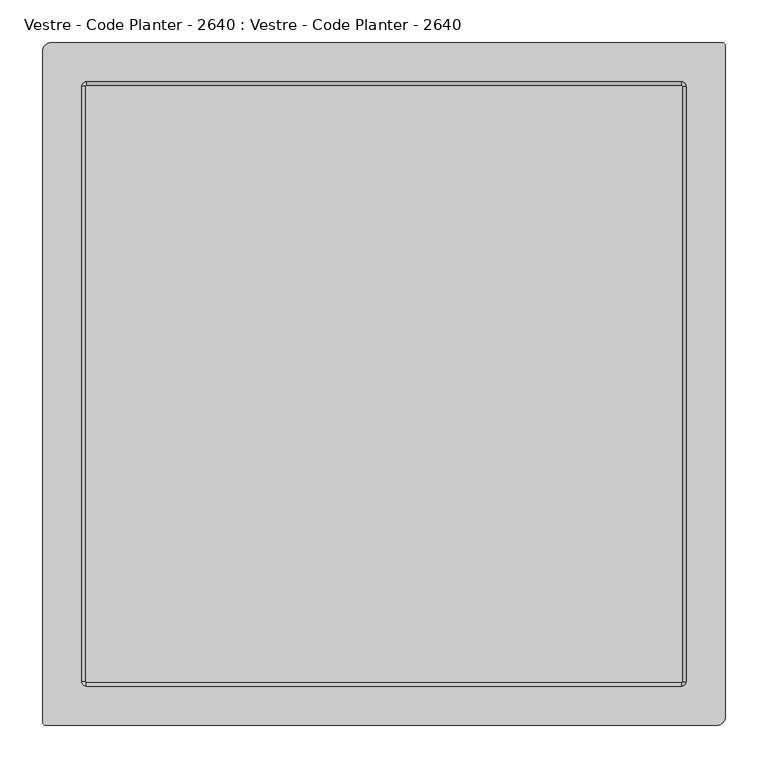
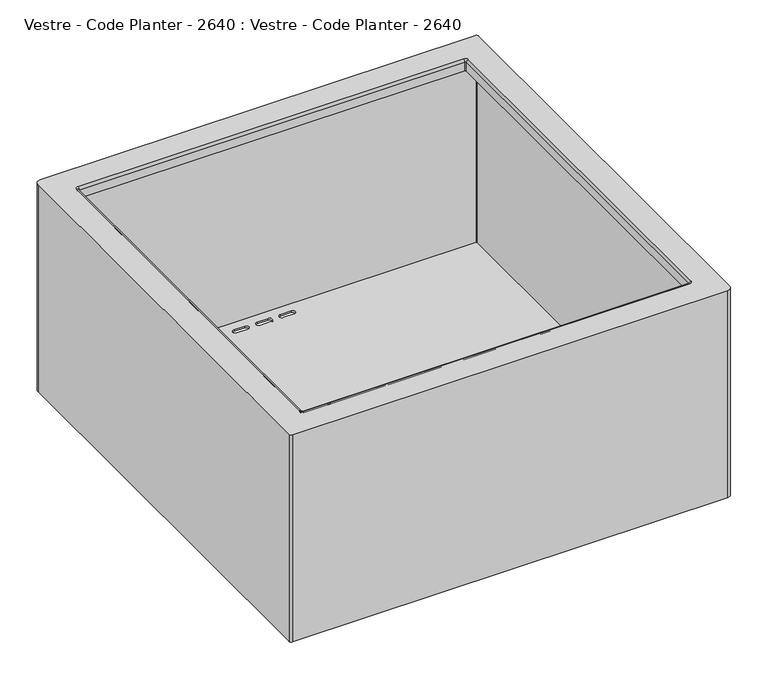
"""IFC4 building model written with IfcOpenShell, lengths in millimetres: furniture geometry, Vestre - Code Planter - 2640 : Vestre - Code Planter - 2640."""

from ifc_helpers import new_model, si_unit, point, frame, origin, place, context, project, spatial, polyline, circle_curve, ellipse_curve, trimmed, source, transform, mapped, element, save
from ifc_brep_helpers import plane_surface, cylinder_surface, revolved_surface, advanced_brep


def vestre_code_planter_2640_vestre_code_planter_2640_09dbacf4(model_context):
    return source(origin(), model_context, "Body", "AdvancedBrep", [
        advanced_brep(
        [(-390.5, 400.0, 412.475), (-400.5, 390.0, 412.475), (-400.5, -396.0, 412.475), (-396.5, -400.0, 412.475), (389.5, -400.0, 412.475), (399.5, -390.0, 412.475), (399.5, 396.0, 412.475), (395.5, 400.0, 412.475), (348.5, 354.0, 412.475), (353.5, 349.0, 412.475), (353.5, -349.0, 412.475), (348.5, -354.0, 412.475), (-349.5, -354.0, 412.475), (-354.5, -349.0, 412.475), (-354.5, 349.0, 412.475), (-349.5, 354.0, 412.475), (-390.5, 400.0, 16.475), (395.5, 400.0, 16.475), (399.5, 396.0, 16.475), (399.5, -390.0, 16.475), (389.5, -400.0, 16.475), (-396.5, -400.0, 16.475), (-400.5, -396.0, 16.475), (-400.5, 390.0, 16.475), (-371.0, 32.0, 16.475), (-371.0, 52.0, 16.475), (-375.5, 56.5, 16.475), (-380.0, 52.0, 16.475), (-380.0, 32.0, 16.475), (-371.0, -10.0, 16.475), (-371.0, 10.0, 16.475), (-375.5, 14.5, 16.475), (-380.0, 10.0, 16.475), (-380.0, -10.0, 16.475), (-371.0, -52.0, 16.475), (-371.0, -32.0, 16.475), (-375.5, -27.5, 16.475), (-380.0, -32.0, 16.475), (-380.0, -52.0, 16.475), (-32.5, 379.5, 16.475), (-52.5, 379.5, 16.475), (-52.5, 370.5, 16.475), (-32.5, 370.5, 16.475), (9.5, 379.5, 16.475), (-10.5, 379.5, 16.475), (-10.5, 370.5, 16.475), (9.5, 370.5, 16.475), (51.5, 379.5, 16.475), (31.5, 379.5, 16.475), (31.5, 370.5, 16.475), (51.5, 370.5, 16.475), (379.0, 32.0, 16.475), (379.0, 52.0, 16.475), (370.0, 52.0, 16.475), (370.0, 32.0, 16.475), (374.5, 27.5, 16.475), (379.0, -10.0, 16.475), (379.0, 10.0, 16.475), (370.0, 10.0, 16.475), (370.0, -10.0, 16.475), (374.5, -14.5, 16.475), (379.0, -52.0, 16.475), (379.0, -32.0, 16.475), (370.0, -32.0, 16.475), (370.0, -52.0, 16.475), (374.5, -56.5, 16.475), (31.5, -379.5, 16.475), (51.5, -379.5, 16.475), (51.5, -370.5, 16.475), (31.5, -370.5, 16.475), (-10.5, -379.5, 16.475), (9.5, -379.5, 16.475), (9.5, -370.5, 16.475), (-10.5, -370.5, 16.475), (-52.5, -379.5, 16.475), (-32.5, -379.5, 16.475), (-32.5, -370.5, 16.475), (-52.5, -370.5, 16.475), (-397.5, 390.0, 19.475), (-390.5, 397.0, 19.475), (-390.5, 397.0, 409.475), (-397.5, 390.0, 409.475), (395.5102868, 397.0, 19.475), (395.5102868, 397.0, 409.475), (396.5, 396.0102868, 19.475), (396.5, 396.0102868, 409.475), (396.5, -390.0300189, 19.475), (396.5, -390.0300189, 409.475), (389.5300189, -397.0, 19.475), (389.5300189, -397.0, 409.475), (-396.4943346, -397.0, 19.475), (-396.4943346, -397.0, 409.475), (-397.5, -395.9943346, 19.475), (-397.5, -395.9943346, 409.475), (-371.0, 32.0, 19.475), (-380.0, 32.0, 19.475), (-380.0, 52.0, 19.475), (-375.5, 56.5, 19.475), (-371.0, 52.0, 19.475), (-371.0, -10.0, 19.475), (-380.0, -10.0, 19.475), (-380.0, 10.0, 19.475), (-375.5, 14.5, 19.475), (-371.0, 10.0, 19.475), (-371.0, -52.0, 19.475), (-380.0, -52.0, 19.475), (-380.0, -32.0, 19.475), (-375.5, -27.5, 19.475), (-371.0, -32.0, 19.475), (-32.5, 379.5, 19.475), (-32.5, 370.5, 19.475), (-52.5, 370.5, 19.475), (-52.5, 379.5, 19.475), (9.5, 379.5, 19.475), (9.5, 370.5, 19.475), (-10.5, 370.5, 19.475), (-10.5, 379.5, 19.475), (51.5, 379.5, 19.475), (51.5, 370.5, 19.475), (31.5, 370.5, 19.475), (31.5, 379.5, 19.475), (379.0, 32.0, 19.475), (374.5, 27.5, 19.475), (370.0, 32.0, 19.475), (370.0, 52.0, 19.475), (379.0, 52.0, 19.475), (379.0, -10.0, 19.475), (374.5, -14.5, 19.475), (370.0, -10.0, 19.475), (370.0, 10.0, 19.475), (379.0, 10.0, 19.475), (379.0, -52.0, 19.475), (374.5, -56.5, 19.475), (370.0, -52.0, 19.475), (370.0, -32.0, 19.475), (379.0, -32.0, 19.475), (31.5, -379.5, 19.475), (31.5, -370.5, 19.475), (51.5, -370.5, 19.475), (51.5, -379.5, 19.475), (-10.5, -379.5, 19.475), (-10.5, -370.5, 19.475), (9.5, -370.5, 19.475), (9.5, -379.5, 19.475), (-52.5, -379.5, 19.475), (-52.5, -370.5, 19.475), (-32.5, -370.5, 19.475), (-32.5, -379.5, 19.475), (353.5, 349.0, 409.475), (348.5, 354.0, 409.475), (-349.5, 354.0, 409.475), (-354.5, 349.0, 409.475), (-354.5, -349.0, 409.475), (-349.5, -354.0, 409.475), (348.5, -354.0, 409.475), (353.5, -349.0, 409.475), (352.5, 349.0, 392.475), (348.5, 353.0, 392.475), (348.5, 353.0, 408.475), (352.5, 349.0, 408.475), (349.5, 349.0, 408.475), (348.5, 350.0, 408.475), (348.5, 350.0, 392.475), (349.5, 349.0, 392.475), (352.5, -349.0, 408.475), (352.5, -349.0, 392.475), (349.5, -349.0, 392.475), (349.5, -349.0, 408.475), (348.5, -353.0, 408.475), (348.5, -353.0, 392.475), (348.5, -350.0, 392.475), (348.5, -350.0, 408.475), (-349.5, -353.0, 408.475), (-349.5, -353.0, 392.475), (-349.5, -350.0, 392.475), (-349.5, -350.0, 408.475), (-353.5, -349.0, 408.475), (-353.5, -349.0, 392.475), (-350.5, -349.0, 392.475), (-350.5, -349.0, 408.475), (-353.5, 349.0, 408.475), (-353.5, 349.0, 392.475), (-350.5, 349.0, 392.475), (-350.5, 349.0, 408.475), (-349.5, 353.0, 408.475), (-349.5, 353.0, 392.475), (-349.5, 350.0, 392.475), (-349.5, 350.0, 408.475)],
        [
            (0, 1, circle_curve(frame((-390.5, 390.0, 412.475), z_axis=(0.0, 0.0, 1.0), x_axis=(1.0, 0.0, 0.0)), 10.0)),
            (1, 2),
            (2, 3, circle_curve(frame((-396.5, -396.0, 412.475), z_axis=(0.0, 0.0, 1.0), x_axis=(1.0, 0.0, 0.0)), 4.0)),
            (3, 4),
            (4, 5, circle_curve(frame((389.5, -390.0, 412.475), z_axis=(0.0, 0.0, 1.0), x_axis=(1.0, 0.0, 0.0)), 10.0)),
            (5, 6),
            (6, 7, circle_curve(frame((395.5, 396.0, 412.475), z_axis=(0.0, 0.0, 1.0), x_axis=(1.0, 0.0, 0.0)), 4.0)),
            (7, 0),
            (8, 9, circle_curve(frame((348.5, 349.0, 412.475), z_axis=(0.0, 0.0, -1.0), x_axis=(0.0, 1.0, 0.0)), 5.0)),
            (9, 10),
            (10, 11, circle_curve(frame((348.5, -349.0, 412.475), z_axis=(0.0, 0.0, -1.0), x_axis=(1.0, 0.0, 0.0)), 5.0)),
            (11, 12),
            (12, 13, circle_curve(frame((-349.5, -349.0, 412.475), z_axis=(0.0, 0.0, -1.0), x_axis=(0.0, -1.0, 0.0)), 5.0)),
            (13, 14),
            (14, 15, circle_curve(frame((-349.5, 349.0, 412.475), z_axis=(0.0, 0.0, -1.0), x_axis=(-1.0, 0.0, 0.0)), 5.0)),
            (15, 8),
            (16, 17),
            (17, 18, circle_curve(frame((395.5, 396.0, 16.475), z_axis=(0.0, 0.0, -1.0), x_axis=(1.0, 0.0, 0.0)), 4.0)),
            (18, 19),
            (19, 20, circle_curve(frame((389.5, -390.0, 16.475), z_axis=(0.0, 0.0, -1.0), x_axis=(1.0, 0.0, 0.0)), 10.0)),
            (20, 21),
            (21, 22, circle_curve(frame((-396.5, -396.0, 16.475), z_axis=(0.0, 0.0, -1.0), x_axis=(1.0, 0.0, 0.0)), 4.0)),
            (22, 23),
            (23, 16, circle_curve(frame((-390.5, 390.0, 16.475), z_axis=(0.0, 0.0, -1.0), x_axis=(1.0, 0.0, 0.0)), 10.0)),
            (24, 25),
            (25, 26, circle_curve(frame((-375.5, 52.0, 16.475), z_axis=(0.0, 0.0, 1.0), x_axis=(1.0, 0.0, 0.0)), 4.5)),
            (26, 27, circle_curve(frame((-375.5, 52.0, 16.475), z_axis=(0.0, 0.0, 1.0), x_axis=(0.0, 1.0, 0.0)), 4.5)),
            (27, 28),
            (28, 24, circle_curve(frame((-375.5, 32.0, 16.475), z_axis=(0.0, 0.0, 1.0), x_axis=(-1.0, 0.0, 0.0)), 4.5)),
            (29, 30),
            (30, 31, circle_curve(frame((-375.5, 10.0, 16.475), z_axis=(0.0, 0.0, 1.0), x_axis=(1.0, 0.0, 0.0)), 4.5)),
            (31, 32, circle_curve(frame((-375.5, 10.0, 16.475), z_axis=(0.0, 0.0, 1.0), x_axis=(0.0, 1.0, 0.0)), 4.5)),
            (32, 33),
            (33, 29, circle_curve(frame((-375.5, -10.0, 16.475), z_axis=(0.0, 0.0, 1.0), x_axis=(-1.0, 0.0, 0.0)), 4.5)),
            (34, 35),
            (35, 36, circle_curve(frame((-375.5, -32.0, 16.475), z_axis=(0.0, 0.0, 1.0), x_axis=(1.0, 0.0, 0.0)), 4.5)),
            (36, 37, circle_curve(frame((-375.5, -32.0, 16.475), z_axis=(0.0, 0.0, 1.0), x_axis=(0.0, 1.0, 0.0)), 4.5)),
            (37, 38),
            (38, 34, circle_curve(frame((-375.5, -52.0, 16.475), z_axis=(0.0, 0.0, 1.0), x_axis=(-1.0, 0.0, 0.0)), 4.5)),
            (39, 40),
            (40, 41, circle_curve(frame((-52.5, 375.0, 16.475), z_axis=(0.0, 0.0, 1.0), x_axis=(0.0, 1.0, 0.0)), 4.5)),
            (41, 42),
            (42, 39, circle_curve(frame((-32.5, 375.0, 16.475), z_axis=(0.0, 0.0, 1.0), x_axis=(0.0, -1.0, 0.0)), 4.5)),
            (43, 44),
            (44, 45, circle_curve(frame((-10.5, 375.0, 16.475), z_axis=(0.0, 0.0, 1.0), x_axis=(0.0, 1.0, 0.0)), 4.5)),
            (45, 46),
            (46, 43, circle_curve(frame((9.5, 375.0, 16.475), z_axis=(0.0, 0.0, 1.0), x_axis=(0.0, -1.0, 0.0)), 4.5)),
            (47, 48),
            (48, 49, circle_curve(frame((31.5, 375.0, 16.475), z_axis=(0.0, 0.0, 1.0), x_axis=(0.0, 1.0, 0.0)), 4.5)),
            (49, 50),
            (50, 47, circle_curve(frame((51.5, 375.0, 16.475), z_axis=(0.0, 0.0, 1.0), x_axis=(0.0, -1.0, 0.0)), 4.5)),
            (51, 52),
            (52, 53, circle_curve(frame((374.5, 52.0, 16.475), z_axis=(0.0, 0.0, 1.0), x_axis=(1.0, 0.0, 0.0)), 4.5)),
            (53, 54),
            (54, 55, circle_curve(frame((374.5, 32.0, 16.475), z_axis=(0.0, 0.0, 1.0), x_axis=(-1.0, 0.0, 0.0)), 4.5)),
            (55, 51, circle_curve(frame((374.5, 32.0, 16.475), z_axis=(0.0, 0.0, 1.0), x_axis=(0.0, -1.0, 0.0)), 4.5)),
            (56, 57),
            (57, 58, circle_curve(frame((374.5, 10.0, 16.475), z_axis=(0.0, 0.0, 1.0), x_axis=(1.0, 0.0, 0.0)), 4.5)),
            (58, 59),
            (59, 60, circle_curve(frame((374.5, -10.0, 16.475), z_axis=(0.0, 0.0, 1.0), x_axis=(-1.0, 0.0, 0.0)), 4.5)),
            (60, 56, circle_curve(frame((374.5, -10.0, 16.475), z_axis=(0.0, 0.0, 1.0), x_axis=(0.0, -1.0, 0.0)), 4.5)),
            (61, 62),
            (62, 63, circle_curve(frame((374.5, -32.0, 16.475), z_axis=(0.0, 0.0, 1.0), x_axis=(1.0, 0.0, 0.0)), 4.5)),
            (63, 64),
            (64, 65, circle_curve(frame((374.5, -52.0, 16.475), z_axis=(0.0, 0.0, 1.0), x_axis=(-1.0, 0.0, 0.0)), 4.5)),
            (65, 61, circle_curve(frame((374.5, -52.0, 16.475), z_axis=(0.0, 0.0, 1.0), x_axis=(0.0, -1.0, 0.0)), 4.5)),
            (66, 67),
            (67, 68, circle_curve(frame((51.5, -375.0, 16.475), z_axis=(0.0, 0.0, 1.0), x_axis=(0.0, -1.0, 0.0)), 4.5)),
            (68, 69),
            (69, 66, circle_curve(frame((31.5, -375.0, 16.475), z_axis=(0.0, 0.0, 1.0), x_axis=(0.0, 1.0, 0.0)), 4.5)),
            (70, 71),
            (71, 72, circle_curve(frame((9.5, -375.0, 16.475), z_axis=(0.0, 0.0, 1.0), x_axis=(0.0, -1.0, 0.0)), 4.5)),
            (72, 73),
            (73, 70, circle_curve(frame((-10.5, -375.0, 16.475), z_axis=(0.0, 0.0, 1.0), x_axis=(0.0, 1.0, 0.0)), 4.5)),
            (74, 75),
            (75, 76, circle_curve(frame((-32.5, -375.0, 16.475), z_axis=(0.0, 0.0, 1.0), x_axis=(0.0, -1.0, 0.0)), 4.5)),
            (76, 77),
            (77, 74, circle_curve(frame((-52.5, -375.0, 16.475), z_axis=(0.0, 0.0, 1.0), x_axis=(0.0, 1.0, 0.0)), 4.5)),
            (0, 16),
            (23, 1),
            (22, 2),
            (21, 3),
            (20, 4),
            (19, 5),
            (18, 6),
            (17, 7),
            (78, 79, circle_curve(frame((-390.5, 390.0, 19.475), z_axis=(0.0, 0.0, -1.0), x_axis=(1.0, 0.0, 0.0)), 7.0)),
            (79, 80),
            (80, 81, circle_curve(frame((-390.5, 390.0, 409.475), z_axis=(0.0, 0.0, 1.0), x_axis=(1.0, 0.0, 0.0)), 7.0)),
            (81, 78),
            (79, 82),
            (82, 83),
            (83, 80),
            (82, 84, circle_curve(frame((395.5102868, 396.0102868, 19.475), z_axis=(0.0, 0.0, -1.0), x_axis=(1.0, 0.0, 0.0)), 0.9897132)),
            (84, 85),
            (85, 83, circle_curve(frame((395.5102868, 396.0102868, 409.475), z_axis=(0.0, 0.0, 1.0), x_axis=(1.0, 0.0, 0.0)), 0.9897132)),
            (84, 86),
            (86, 87),
            (87, 85),
            (86, 88, circle_curve(frame((389.5300189, -390.0300189, 19.475), z_axis=(0.0, 0.0, -1.0), x_axis=(1.0, 0.0, 0.0)), 6.9699811)),
            (88, 89),
            (89, 87, circle_curve(frame((389.5300189, -390.0300189, 409.475), z_axis=(0.0, 0.0, 1.0), x_axis=(1.0, 0.0, 0.0)), 6.9699811)),
            (88, 90),
            (90, 91),
            (91, 89),
            (90, 92, circle_curve(frame((-396.4943346, -395.9943346, 19.475), z_axis=(0.0, 0.0, -1.0), x_axis=(1.0, 0.0, 0.0)), 1.0056654)),
            (92, 93),
            (93, 91, circle_curve(frame((-396.4943346, -395.9943346, 409.475), z_axis=(0.0, 0.0, 1.0), x_axis=(1.0, 0.0, 0.0)), 1.0056654)),
            (92, 78),
            (81, 93),
            (94, 95, circle_curve(frame((-375.5, 32.0, 19.475), z_axis=(0.0, 0.0, -1.0), x_axis=(-1.0, 0.0, 0.0)), 4.5)),
            (95, 96),
            (96, 97, circle_curve(frame((-375.5, 52.0, 19.475), z_axis=(0.0, 0.0, -1.0), x_axis=(0.0, 1.0, 0.0)), 4.5)),
            (97, 98, circle_curve(frame((-375.5, 52.0, 19.475), z_axis=(0.0, 0.0, -1.0), x_axis=(1.0, 0.0, 0.0)), 4.5)),
            (98, 94),
            (99, 100, circle_curve(frame((-375.5, -10.0, 19.475), z_axis=(0.0, 0.0, -1.0), x_axis=(-1.0, 0.0, 0.0)), 4.5)),
            (100, 101),
            (101, 102, circle_curve(frame((-375.5, 10.0, 19.475), z_axis=(0.0, 0.0, -1.0), x_axis=(0.0, 1.0, 0.0)), 4.5)),
            (102, 103, circle_curve(frame((-375.5, 10.0, 19.475), z_axis=(0.0, 0.0, -1.0), x_axis=(1.0, 0.0, 0.0)), 4.5)),
            (103, 99),
            (104, 105, circle_curve(frame((-375.5, -52.0, 19.475), z_axis=(0.0, 0.0, -1.0), x_axis=(-1.0, 0.0, 0.0)), 4.5)),
            (105, 106),
            (106, 107, circle_curve(frame((-375.5, -32.0, 19.475), z_axis=(0.0, 0.0, -1.0), x_axis=(0.0, 1.0, 0.0)), 4.5)),
            (107, 108, circle_curve(frame((-375.5, -32.0, 19.475), z_axis=(0.0, 0.0, -1.0), x_axis=(1.0, 0.0, 0.0)), 4.5)),
            (108, 104),
            (109, 110, circle_curve(frame((-32.5, 375.0, 19.475), z_axis=(0.0, 0.0, -1.0), x_axis=(0.0, -1.0, 0.0)), 4.5)),
            (110, 111),
            (111, 112, circle_curve(frame((-52.5, 375.0, 19.475), z_axis=(0.0, 0.0, -1.0), x_axis=(0.0, 1.0, 0.0)), 4.5)),
            (112, 109),
            (113, 114, circle_curve(frame((9.5, 375.0, 19.475), z_axis=(0.0, 0.0, -1.0), x_axis=(0.0, -1.0, 0.0)), 4.5)),
            (114, 115),
            (115, 116, circle_curve(frame((-10.5, 375.0, 19.475), z_axis=(0.0, 0.0, -1.0), x_axis=(0.0, 1.0, 0.0)), 4.5)),
            (116, 113),
            (117, 118, circle_curve(frame((51.5, 375.0, 19.475), z_axis=(0.0, 0.0, -1.0), x_axis=(0.0, -1.0, 0.0)), 4.5)),
            (118, 119),
            (119, 120, circle_curve(frame((31.5, 375.0, 19.475), z_axis=(0.0, 0.0, -1.0), x_axis=(0.0, 1.0, 0.0)), 4.5)),
            (120, 117),
            (121, 122, circle_curve(frame((374.5, 32.0, 19.475), z_axis=(0.0, 0.0, -1.0), x_axis=(0.0, -1.0, 0.0)), 4.5)),
            (122, 123, circle_curve(frame((374.5, 32.0, 19.475), z_axis=(0.0, 0.0, -1.0), x_axis=(-1.0, 0.0, 0.0)), 4.5)),
            (123, 124),
            (124, 125, circle_curve(frame((374.5, 52.0, 19.475), z_axis=(0.0, 0.0, -1.0), x_axis=(1.0, 0.0, 0.0)), 4.5)),
            (125, 121),
            (126, 127, circle_curve(frame((374.5, -10.0, 19.475), z_axis=(0.0, 0.0, -1.0), x_axis=(0.0, -1.0, 0.0)), 4.5)),
            (127, 128, circle_curve(frame((374.5, -10.0, 19.475), z_axis=(0.0, 0.0, -1.0), x_axis=(-1.0, 0.0, 0.0)), 4.5)),
            (128, 129),
            (129, 130, circle_curve(frame((374.5, 10.0, 19.475), z_axis=(0.0, 0.0, -1.0), x_axis=(1.0, 0.0, 0.0)), 4.5)),
            (130, 126),
            (131, 132, circle_curve(frame((374.5, -52.0, 19.475), z_axis=(0.0, 0.0, -1.0), x_axis=(0.0, -1.0, 0.0)), 4.5)),
            (132, 133, circle_curve(frame((374.5, -52.0, 19.475), z_axis=(0.0, 0.0, -1.0), x_axis=(-1.0, 0.0, 0.0)), 4.5)),
            (133, 134),
            (134, 135, circle_curve(frame((374.5, -32.0, 19.475), z_axis=(0.0, 0.0, -1.0), x_axis=(1.0, 0.0, 0.0)), 4.5)),
            (135, 131),
            (136, 137, circle_curve(frame((31.5, -375.0, 19.475), z_axis=(0.0, 0.0, -1.0), x_axis=(0.0, 1.0, 0.0)), 4.5)),
            (137, 138),
            (138, 139, circle_curve(frame((51.5, -375.0, 19.475), z_axis=(0.0, 0.0, -1.0), x_axis=(0.0, -1.0, 0.0)), 4.5)),
            (139, 136),
            (140, 141, circle_curve(frame((-10.5, -375.0, 19.475), z_axis=(0.0, 0.0, -1.0), x_axis=(0.0, 1.0, 0.0)), 4.5)),
            (141, 142),
            (142, 143, circle_curve(frame((9.5, -375.0, 19.475), z_axis=(0.0, 0.0, -1.0), x_axis=(0.0, -1.0, 0.0)), 4.5)),
            (143, 140),
            (144, 145, circle_curve(frame((-52.5, -375.0, 19.475), z_axis=(0.0, 0.0, -1.0), x_axis=(0.0, 1.0, 0.0)), 4.5)),
            (145, 146),
            (146, 147, circle_curve(frame((-32.5, -375.0, 19.475), z_axis=(0.0, 0.0, -1.0), x_axis=(0.0, -1.0, 0.0)), 4.5)),
            (147, 144),
            (94, 24),
            (28, 95),
            (27, 96),
            (26, 97),
            (25, 98),
            (99, 29),
            (33, 100),
            (32, 101),
            (31, 102),
            (30, 103),
            (104, 34),
            (38, 105),
            (37, 106),
            (36, 107),
            (35, 108),
            (109, 39),
            (42, 110),
            (41, 111),
            (40, 112),
            (113, 43),
            (46, 114),
            (45, 115),
            (44, 116),
            (117, 47),
            (50, 118),
            (49, 119),
            (48, 120),
            (121, 51),
            (55, 122),
            (54, 123),
            (53, 124),
            (52, 125),
            (126, 56),
            (60, 127),
            (59, 128),
            (58, 129),
            (57, 130),
            (131, 61),
            (65, 132),
            (64, 133),
            (63, 134),
            (62, 135),
            (136, 66),
            (69, 137),
            (68, 138),
            (67, 139),
            (140, 70),
            (73, 141),
            (72, 142),
            (71, 143),
            (144, 74),
            (77, 145),
            (76, 146),
            (75, 147),
            (148, 149, circle_curve(frame((348.5, 349.0, 409.475), z_axis=(0.0, 0.0, 1.0), x_axis=(0.0, 1.0, 0.0)), 5.0)),
            (149, 150),
            (150, 151, circle_curve(frame((-349.5, 349.0, 409.475), z_axis=(0.0, 0.0, 1.0), x_axis=(-1.0, 0.0, 0.0)), 5.0)),
            (151, 152),
            (152, 153, circle_curve(frame((-349.5, -349.0, 409.475), z_axis=(0.0, 0.0, 1.0), x_axis=(0.0, -1.0, 0.0)), 5.0)),
            (153, 154),
            (154, 155, circle_curve(frame((348.5, -349.0, 409.475), z_axis=(0.0, 0.0, 1.0), x_axis=(1.0, 0.0, 0.0)), 5.0)),
            (155, 148),
            (156, 157, circle_curve(frame((348.5, 349.0, 392.475), z_axis=(0.0, 0.0, 1.0), x_axis=(0.0, 1.0, 0.0)), 4.0)),
            (157, 158),
            (158, 159, circle_curve(frame((348.5, 349.0, 408.475), z_axis=(0.0, 0.0, -1.0), x_axis=(0.0, 1.0, 0.0)), 4.0)),
            (159, 156),
            (160, 161, circle_curve(frame((348.5, 349.0, 408.475), z_axis=(0.0, 0.0, 1.0), x_axis=(0.0, 1.0, 0.0)), 1.0)),
            (161, 162),
            (162, 163, circle_curve(frame((348.5, 349.0, 392.475), z_axis=(0.0, 0.0, -1.0), x_axis=(0.0, 1.0, 0.0)), 1.0)),
            (163, 160),
            (160, 9, circle_curve(frame((353.5, 349.0, 408.475), z_axis=(0.0, 1.0, 0.0), x_axis=(-1.0, 0.0, 0.0)), 4.0)),
            (8, 161, circle_curve(frame((348.5, 354.0, 408.475), z_axis=(1.0, 0.0, 0.0), x_axis=(0.0, -1.0, 0.0)), 4.0)),
            (158, 149, circle_curve(frame((348.5, 354.0, 408.475), z_axis=(-1.0, 0.0, 0.0), x_axis=(0.0, -1.0, 0.0)), 1.0)),
            (148, 159, circle_curve(frame((353.5, 349.0, 408.475), z_axis=(0.0, -1.0, 0.0), x_axis=(-1.0, 0.0, 0.0)), 1.0)),
            (159, 164),
            (164, 165),
            (165, 156),
            (163, 166),
            (166, 167),
            (167, 160),
            (167, 10, circle_curve(frame((353.5, -349.0, 408.475), z_axis=(0.0, 1.0, 0.0), x_axis=(-1.0, 0.0, 0.0)), 4.0)),
            (155, 164, circle_curve(frame((353.5, -349.0, 408.475), z_axis=(0.0, -1.0, 0.0), x_axis=(-1.0, 0.0, 0.0)), 1.0)),
            (164, 168, circle_curve(frame((348.5, -349.0, 408.475), z_axis=(0.0, 0.0, -1.0), x_axis=(1.0, 0.0, 0.0)), 4.0)),
            (168, 169),
            (169, 165, circle_curve(frame((348.5, -349.0, 392.475), z_axis=(0.0, 0.0, 1.0), x_axis=(1.0, 0.0, 0.0)), 4.0)),
            (166, 170, circle_curve(frame((348.5, -349.0, 392.475), z_axis=(0.0, 0.0, -1.0), x_axis=(1.0, 0.0, 0.0)), 1.0)),
            (170, 171),
            (171, 167, circle_curve(frame((348.5, -349.0, 408.475), z_axis=(0.0, 0.0, 1.0), x_axis=(1.0, 0.0, 0.0)), 1.0)),
            (171, 11, circle_curve(frame((348.5, -354.0, 408.475), z_axis=(1.0, 0.0, 0.0), x_axis=(0.0, 1.0, 0.0)), 4.0)),
            (154, 168, circle_curve(frame((348.5, -354.0, 408.475), z_axis=(-1.0, 0.0, 0.0), x_axis=(0.0, 1.0, 0.0)), 1.0)),
            (168, 172),
            (172, 173),
            (173, 169),
            (170, 174),
            (174, 175),
            (175, 171),
            (175, 12, circle_curve(frame((-349.5, -354.0, 408.475), z_axis=(1.0, 0.0, 0.0), x_axis=(0.0, 1.0, 0.0)), 4.0)),
            (153, 172, circle_curve(frame((-349.5, -354.0, 408.475), z_axis=(-1.0, 0.0, 0.0), x_axis=(0.0, 1.0, 0.0)), 1.0)),
            (172, 176, circle_curve(frame((-349.5, -349.0, 408.475), z_axis=(0.0, 0.0, -1.0), x_axis=(0.0, -1.0, 0.0)), 4.0)),
            (176, 177),
            (177, 173, circle_curve(frame((-349.5, -349.0, 392.475), z_axis=(0.0, 0.0, 1.0), x_axis=(0.0, -1.0, 0.0)), 4.0)),
            (174, 178, circle_curve(frame((-349.5, -349.0, 392.475), z_axis=(0.0, 0.0, -1.0), x_axis=(0.0, -1.0, 0.0)), 1.0)),
            (178, 179),
            (179, 175, circle_curve(frame((-349.5, -349.0, 408.475), z_axis=(0.0, 0.0, 1.0), x_axis=(0.0, -1.0, 0.0)), 1.0)),
            (179, 13, circle_curve(frame((-354.5, -349.0, 408.475), z_axis=(0.0, -1.0, 0.0), x_axis=(1.0, 0.0, 0.0)), 4.0)),
            (152, 176, circle_curve(frame((-354.5, -349.0, 408.475), z_axis=(0.0, 1.0, 0.0), x_axis=(1.0, 0.0, 0.0)), 1.0)),
            (176, 180),
            (180, 181),
            (181, 177),
            (178, 182),
            (182, 183),
            (183, 179),
            (183, 14, circle_curve(frame((-354.5, 349.0, 408.475), z_axis=(0.0, -1.0, 0.0), x_axis=(1.0, 0.0, 0.0)), 4.0)),
            (151, 180, circle_curve(frame((-354.5, 349.0, 408.475), z_axis=(0.0, 1.0, 0.0), x_axis=(1.0, 0.0, 0.0)), 1.0)),
            (180, 184, circle_curve(frame((-349.5, 349.0, 408.475), z_axis=(0.0, 0.0, -1.0), x_axis=(-1.0, 0.0, 0.0)), 4.0)),
            (184, 185),
            (185, 181, circle_curve(frame((-349.5, 349.0, 392.475), z_axis=(0.0, 0.0, 1.0), x_axis=(-1.0, 0.0, 0.0)), 4.0)),
            (182, 186, circle_curve(frame((-349.5, 349.0, 392.475), z_axis=(0.0, 0.0, -1.0), x_axis=(-1.0, 0.0, 0.0)), 1.0)),
            (186, 187),
            (187, 183, circle_curve(frame((-349.5, 349.0, 408.475), z_axis=(0.0, 0.0, 1.0), x_axis=(-1.0, 0.0, 0.0)), 1.0)),
            (187, 15, circle_curve(frame((-349.5, 354.0, 408.475), z_axis=(-1.0, 0.0, 0.0), x_axis=(0.0, -1.0, 0.0)), 4.0)),
            (150, 184, circle_curve(frame((-349.5, 354.0, 408.475), z_axis=(1.0, 0.0, 0.0), x_axis=(0.0, -1.0, 0.0)), 1.0)),
            (157, 185),
            (184, 158),
            (162, 186),
            (161, 187),
        ],
        [
            plane_surface(frame((-380.5, 390.0, 412.475), z_axis=(0.0, 0.0, 1.0), x_axis=(0.0, 1.0, 0.0))),
            plane_surface(frame((-380.5, 390.0, 16.475), z_axis=(0.0, 0.0, -1.0), x_axis=(0.0, -1.0, 0.0))),
            cylinder_surface(frame((-390.5, 390.0, 16.475), z_axis=(0.0, 0.0, 1.0), x_axis=(1.0, 0.0, 0.0)), 10.0),
            plane_surface(frame((-400.5, 390.0, 412.475), z_axis=(-1.0, 0.0, 0.0), x_axis=(0.0, 0.0, -1.0))),
            cylinder_surface(frame((-396.5, -396.0, 16.475), z_axis=(0.0, 0.0, 1.0), x_axis=(1.0, 0.0, 0.0)), 4.0),
            plane_surface(frame((-396.5, -400.0, 412.475), z_axis=(0.0, -1.0, 0.0), x_axis=(0.0, 0.0, -1.0))),
            cylinder_surface(frame((389.5, -390.0, 16.475), z_axis=(0.0, 0.0, 1.0), x_axis=(1.0, 0.0, 0.0)), 10.0),
            plane_surface(frame((399.5, -390.0, 412.475), z_axis=(1.0, 0.0, 0.0), x_axis=(0.0, 0.0, -1.0))),
            cylinder_surface(frame((395.5, 396.0, 16.475), z_axis=(0.0, 0.0, 1.0), x_axis=(1.0, 0.0, 0.0)), 4.0),
            plane_surface(frame((395.5, 400.0, 412.475), z_axis=(0.0, 1.0, 0.0), x_axis=(0.0, 0.0, -1.0))),
            revolved_surface(polyline([(-383.5, 390.0, 19.475), (-383.5, 390.0, 409.475)]), (-390.5, 390.0, 0.0), (0.0, 0.0, -1.0)),
            plane_surface(frame((-390.5, 397.0, 412.475), z_axis=(0.0, -1.0, 0.0), x_axis=(0.0, 0.0, -1.0))),
            revolved_surface(polyline([(396.5, 396.0102868, 19.475), (396.5, 396.0102868, 409.475)]), (395.5102868, 396.0102868, 0.0), (0.0, 0.0, -1.0)),
            plane_surface(frame((396.5, 396.0102868, 412.475), z_axis=(-1.0, 0.0, 0.0), x_axis=(0.0, 0.0, -1.0))),
            revolved_surface(polyline([(396.5, -390.0300189, 19.475), (396.5, -390.0300189, 409.475)]), (389.5300189, -390.0300189, 0.0), (0.0, 0.0, -1.0)),
            plane_surface(frame((389.5300189, -397.0, 412.475), z_axis=(0.0, 1.0, 0.0), x_axis=(0.0, 0.0, -1.0))),
            revolved_surface(polyline([(-395.4886692, -395.9943346, 19.475), (-395.4886692, -395.9943346, 409.475)]), (-396.4943346, -395.9943346, 0.0), (0.0, 0.0, -1.0)),
            plane_surface(frame((-397.5, -395.9943346, 412.475), z_axis=(1.0, 0.0, 0.0), x_axis=(0.0, 0.0, -1.0))),
            plane_surface(frame((-397.5, -395.9943346, 19.475), z_axis=(0.0, 0.0, 1.0), x_axis=(0.0, -1.0, 0.0))),
            revolved_surface(polyline([(-380.0, 32.0, 16.475000000000023), (-380.0, 32.0, 19.475000000000023)]), (-375.5, 32.0, -789.0), (0.0, 0.0, -1.0)),
            plane_surface(frame((-380.0, 32.0, 19.475), z_axis=(1.0, 0.0, 0.0), x_axis=(0.0, 0.0, -1.0))),
            revolved_surface(polyline([(-375.5, 56.5, 16.475000000000023), (-375.5, 56.5, 19.475000000000023)]), (-375.5, 52.0, -789.0), (0.0, 0.0, -1.0)),
            revolved_surface(polyline([(-371.0, 52.0, 16.475000000000023), (-371.0, 52.0, 19.475000000000023)]), (-375.5, 52.0, -789.0), (0.0, 0.0, -1.0)),
            plane_surface(frame((-371.0, 52.0, 19.475), z_axis=(-1.0, 0.0, 0.0), x_axis=(0.0, 0.0, -1.0))),
            revolved_surface(polyline([(-380.0, -10.0, 16.475000000000023), (-380.0, -10.0, 19.475000000000023)]), (-375.5, -10.0, -789.0), (0.0, 0.0, -1.0)),
            plane_surface(frame((-380.0, -10.0, 19.475), z_axis=(1.0, 0.0, 0.0), x_axis=(0.0, 0.0, -1.0))),
            revolved_surface(polyline([(-375.5, 14.5, 16.475000000000023), (-375.5, 14.5, 19.475000000000023)]), (-375.5, 10.0, -789.0), (0.0, 0.0, -1.0)),
            revolved_surface(polyline([(-371.0, 10.0, 16.475000000000023), (-371.0, 10.0, 19.475000000000023)]), (-375.5, 10.0, -789.0), (0.0, 0.0, -1.0)),
            plane_surface(frame((-371.0, 10.0, 19.475), z_axis=(-1.0, 0.0, 0.0), x_axis=(0.0, 0.0, -1.0))),
            revolved_surface(polyline([(-380.0, -52.0, 16.475000000000023), (-380.0, -52.0, 19.475000000000023)]), (-375.5, -52.0, -789.0), (0.0, 0.0, -1.0)),
            plane_surface(frame((-380.0, -52.0, 19.475), z_axis=(1.0, 0.0, 0.0), x_axis=(0.0, 0.0, -1.0))),
            revolved_surface(polyline([(-375.5, -27.5, 16.475000000000023), (-375.5, -27.5, 19.475000000000023)]), (-375.5, -32.0, -789.0), (0.0, 0.0, -1.0)),
            revolved_surface(polyline([(-371.0, -32.0, 16.475000000000023), (-371.0, -32.0, 19.475000000000023)]), (-375.5, -32.0, -789.0), (0.0, 0.0, -1.0)),
            plane_surface(frame((-371.0, -32.0, 19.475), z_axis=(-1.0, 0.0, 0.0), x_axis=(0.0, 0.0, -1.0))),
            revolved_surface(polyline([(-32.5, 370.5, 16.475000000000023), (-32.5, 370.5, 19.475000000000023)]), (-32.5, 375.0, -789.0), (0.0, 0.0, -1.0)),
            plane_surface(frame((-32.5, 370.5, 19.475), z_axis=(0.0, 1.0, 0.0), x_axis=(0.0, 0.0, -1.0))),
            revolved_surface(polyline([(-52.5, 379.5, 16.475000000000023), (-52.5, 379.5, 19.475000000000023)]), (-52.5, 375.0, -789.0), (0.0, 0.0, -1.0)),
            plane_surface(frame((-52.5, 379.5, 19.475), z_axis=(0.0, -1.0, 0.0), x_axis=(0.0, 0.0, -1.0))),
            revolved_surface(polyline([(9.5, 370.5, 16.475000000000023), (9.5, 370.5, 19.475000000000023)]), (9.5, 375.0, -789.0), (0.0, 0.0, -1.0)),
            plane_surface(frame((9.5, 370.5, 19.475), z_axis=(0.0, 1.0, 0.0), x_axis=(0.0, 0.0, -1.0))),
            revolved_surface(polyline([(-10.5, 379.5, 16.475000000000023), (-10.5, 379.5, 19.475000000000023)]), (-10.5, 375.0, -789.0), (0.0, 0.0, -1.0)),
            plane_surface(frame((-10.5, 379.5, 19.475), z_axis=(0.0, -1.0, 0.0), x_axis=(0.0, 0.0, -1.0))),
            revolved_surface(polyline([(51.5, 370.5, 16.475000000000023), (51.5, 370.5, 19.475000000000023)]), (51.5, 375.0, -789.0), (0.0, 0.0, -1.0)),
            plane_surface(frame((51.5, 370.5, 19.475), z_axis=(0.0, 1.0, 0.0), x_axis=(0.0, 0.0, -1.0))),
            revolved_surface(polyline([(31.5, 379.5, 16.475000000000023), (31.5, 379.5, 19.475000000000023)]), (31.5, 375.0, -789.0), (0.0, 0.0, -1.0)),
            plane_surface(frame((31.5, 379.5, 19.475), z_axis=(0.0, -1.0, 0.0), x_axis=(0.0, 0.0, -1.0))),
            revolved_surface(polyline([(374.5, 27.5, 16.475000000000023), (374.5, 27.5, 19.475000000000023)]), (374.5, 32.0, -789.0), (0.0, 0.0, -1.0)),
            revolved_surface(polyline([(370.0, 32.0, 16.475000000000023), (370.0, 32.0, 19.475000000000023)]), (374.5, 32.0, -789.0), (0.0, 0.0, -1.0)),
            plane_surface(frame((370.0, 32.0, 19.475), z_axis=(1.0, 0.0, 0.0), x_axis=(0.0, 0.0, -1.0))),
            revolved_surface(polyline([(379.0, 52.0, 16.475000000000023), (379.0, 52.0, 19.475000000000023)]), (374.5, 52.0, -789.0), (0.0, 0.0, -1.0)),
            plane_surface(frame((379.0, 52.0, 19.475), z_axis=(-1.0, 0.0, 0.0), x_axis=(0.0, 0.0, -1.0))),
            revolved_surface(polyline([(374.5, -14.5, 16.475000000000023), (374.5, -14.5, 19.475000000000023)]), (374.5, -10.0, -789.0), (0.0, 0.0, -1.0)),
            revolved_surface(polyline([(370.0, -10.0, 16.475000000000023), (370.0, -10.0, 19.475000000000023)]), (374.5, -10.0, -789.0), (0.0, 0.0, -1.0)),
            plane_surface(frame((370.0, -10.0, 19.475), z_axis=(1.0, 0.0, 0.0), x_axis=(0.0, 0.0, -1.0))),
            revolved_surface(polyline([(379.0, 10.0, 16.475000000000023), (379.0, 10.0, 19.475000000000023)]), (374.5, 10.0, -789.0), (0.0, 0.0, -1.0)),
            plane_surface(frame((379.0, 10.0, 19.475), z_axis=(-1.0, 0.0, 0.0), x_axis=(0.0, 0.0, -1.0))),
            revolved_surface(polyline([(374.5, -56.5, 16.475000000000023), (374.5, -56.5, 19.475000000000023)]), (374.5, -52.0, -789.0), (0.0, 0.0, -1.0)),
            revolved_surface(polyline([(370.0, -52.0, 16.475000000000023), (370.0, -52.0, 19.475000000000023)]), (374.5, -52.0, -789.0), (0.0, 0.0, -1.0)),
            plane_surface(frame((370.0, -52.0, 19.475), z_axis=(1.0, 0.0, 0.0), x_axis=(0.0, 0.0, -1.0))),
            revolved_surface(polyline([(379.0, -32.0, 16.475000000000023), (379.0, -32.0, 19.475000000000023)]), (374.5, -32.0, -789.0), (0.0, 0.0, -1.0)),
            plane_surface(frame((379.0, -32.0, 19.475), z_axis=(-1.0, 0.0, 0.0), x_axis=(0.0, 0.0, -1.0))),
            revolved_surface(polyline([(31.5, -370.5, 16.475000000000023), (31.5, -370.5, 19.475000000000023)]), (31.5, -375.0, -789.0), (0.0, 0.0, -1.0)),
            plane_surface(frame((31.5, -370.5, 19.475), z_axis=(0.0, -1.0, 0.0), x_axis=(0.0, 0.0, -1.0))),
            revolved_surface(polyline([(51.5, -379.5, 16.475000000000023), (51.5, -379.5, 19.475000000000023)]), (51.5, -375.0, -789.0), (0.0, 0.0, -1.0)),
            plane_surface(frame((51.5, -379.5, 19.475), z_axis=(0.0, 1.0, 0.0), x_axis=(0.0, 0.0, -1.0))),
            revolved_surface(polyline([(-10.5, -370.5, 16.475000000000023), (-10.5, -370.5, 19.475000000000023)]), (-10.5, -375.0, -789.0), (0.0, 0.0, -1.0)),
            plane_surface(frame((-10.5, -370.5, 19.475), z_axis=(0.0, -1.0, 0.0), x_axis=(0.0, 0.0, -1.0))),
            revolved_surface(polyline([(9.5, -379.5, 16.475000000000023), (9.5, -379.5, 19.475000000000023)]), (9.5, -375.0, -789.0), (0.0, 0.0, -1.0)),
            plane_surface(frame((9.5, -379.5, 19.475), z_axis=(0.0, 1.0, 0.0), x_axis=(0.0, 0.0, -1.0))),
            revolved_surface(polyline([(-52.5, -370.5, 16.475000000000023), (-52.5, -370.5, 19.475000000000023)]), (-52.5, -375.0, -789.0), (0.0, 0.0, -1.0)),
            plane_surface(frame((-52.5, -370.5, 19.475), z_axis=(0.0, -1.0, 0.0), x_axis=(0.0, 0.0, -1.0))),
            revolved_surface(polyline([(-32.5, -379.5, 16.475000000000023), (-32.5, -379.5, 19.475000000000023)]), (-32.5, -375.0, -789.0), (0.0, 0.0, -1.0)),
            plane_surface(frame((-32.5, -379.5, 19.475), z_axis=(0.0, 1.0, 0.0), x_axis=(0.0, 0.0, -1.0))),
            plane_surface(frame((-397.5, -395.9943346, 409.475), z_axis=(0.0, 0.0, -1.0), x_axis=(0.0, 1.0, 0.0))),
            cylinder_surface(frame((348.5, 349.0, -396.0), z_axis=(0.0, 0.0, -1.0), x_axis=(0.0, 1.0, 0.0)), 4.0),
            revolved_surface(polyline([(348.5, 350.0, 392.475), (348.5, 350.0, 408.475)]), (348.5, 349.0, -396.0), (0.0, 0.0, -1.0)),
            revolved_surface(trimmed(ellipse_curve(frame((348.5, 354.0, 408.475), z_axis=(-1.0, 0.0, 0.0), x_axis=(0.0, -1.0, 0.0)), 4.0, 4.0), [point((348.5, 350.0, 408.475))], [point((348.5, 354.0, 412.475))], True, "CARTESIAN"), (348.5, 349.0, -396.0), (0.0, 0.0, -1.0)),
            revolved_surface(trimmed(ellipse_curve(frame((348.5, 354.0, 408.475), z_axis=(1.0, 0.0, 0.0), x_axis=(0.0, -1.0, 0.0)), 1.0, 1.0), [point((348.5, 354.0, 409.475))], [point((348.5, 353.0, 408.475))], True, "CARTESIAN"), (348.5, 349.0, -396.0), (0.0, 0.0, -1.0)),
            plane_surface(frame((352.5, 349.0, 408.475), z_axis=(1.0, 0.0, 0.0), x_axis=(0.0, -1.0, 0.0))),
            plane_surface(frame((349.5, 349.0, 392.475), z_axis=(-1.0, 0.0, 0.0), x_axis=(0.0, -1.0, 0.0))),
            cylinder_surface(frame((353.5, 349.0, 408.475), z_axis=(0.0, 1.0, 0.0), x_axis=(-1.0, 0.0, 0.0)), 4.0),
            revolved_surface(polyline([(352.5, -349.0, 408.475), (352.5, 349.0, 408.475)]), (353.5, 349.0, 408.475), (0.0, -1.0, 0.0)),
            cylinder_surface(frame((348.5, -349.0, -396.0), z_axis=(0.0, 0.0, -1.0), x_axis=(1.0, 0.0, 0.0)), 4.0),
            revolved_surface(polyline([(349.5, -349.0, 392.475), (349.5, -349.0, 408.475)]), (348.5, -349.0, -396.0), (0.0, 0.0, -1.0)),
            revolved_surface(trimmed(ellipse_curve(frame((353.5, -349.0, 408.475), z_axis=(0.0, 1.0, 0.0), x_axis=(-1.0, 0.0, 0.0)), 4.0, 4.0), [point((349.5, -349.0, 408.475))], [point((353.5, -349.0, 412.475))], True, "CARTESIAN"), (348.5, -349.0, -396.0), (0.0, 0.0, -1.0)),
            revolved_surface(trimmed(ellipse_curve(frame((353.5, -349.0, 408.475), z_axis=(0.0, -1.0, 0.0), x_axis=(-1.0, 0.0, 0.0)), 1.0, 1.0), [point((353.5, -349.0, 409.475))], [point((352.5, -349.0, 408.475))], True, "CARTESIAN"), (348.5, -349.0, -396.0), (0.0, 0.0, -1.0)),
            plane_surface(frame((348.5, -353.0, 408.475), z_axis=(0.0, -1.0, 0.0), x_axis=(-1.0, 0.0, 0.0))),
            plane_surface(frame((348.5, -350.0, 392.475), z_axis=(0.0, 1.0, 0.0), x_axis=(-1.0, 0.0, 0.0))),
            cylinder_surface(frame((348.5, -354.0, 408.475), z_axis=(1.0, 0.0, 0.0), x_axis=(0.0, 1.0, 0.0)), 4.0),
            revolved_surface(polyline([(-349.5, -353.0, 408.475), (348.5, -353.0, 408.475)]), (348.5, -354.0, 408.475), (-1.0, 0.0, 0.0)),
            cylinder_surface(frame((-349.5, -349.0, -396.0), z_axis=(0.0, 0.0, -1.0), x_axis=(0.0, -1.0, 0.0)), 4.0),
            revolved_surface(polyline([(-349.5, -350.0, 392.475), (-349.5, -350.0, 408.475)]), (-349.5, -349.0, -396.0), (0.0, 0.0, -1.0)),
            revolved_surface(trimmed(ellipse_curve(frame((-349.5, -354.0, 408.475), z_axis=(1.0, 0.0, 0.0), x_axis=(0.0, 1.0, 0.0)), 4.0, 4.0), [point((-349.5, -350.0, 408.475))], [point((-349.5, -354.0, 412.475))], True, "CARTESIAN"), (-349.5, -349.0, -396.0), (0.0, 0.0, -1.0)),
            revolved_surface(trimmed(ellipse_curve(frame((-349.5, -354.0, 408.475), z_axis=(-1.0, 0.0, 0.0), x_axis=(0.0, 1.0, 0.0)), 1.0, 1.0), [point((-349.5, -354.0, 409.475))], [point((-349.5, -353.0, 408.475))], True, "CARTESIAN"), (-349.5, -349.0, -396.0), (0.0, 0.0, -1.0)),
            plane_surface(frame((-353.5, -349.0, 408.475), z_axis=(-1.0, 0.0, 0.0), x_axis=(0.0, 1.0, 0.0))),
            plane_surface(frame((-350.5, -349.0, 392.475), z_axis=(1.0, 0.0, 0.0), x_axis=(0.0, 1.0, 0.0))),
            cylinder_surface(frame((-354.5, -349.0, 408.475), z_axis=(0.0, -1.0, 0.0), x_axis=(1.0, 0.0, 0.0)), 4.0),
            revolved_surface(polyline([(-353.5, 349.0, 408.475), (-353.5, -349.0, 408.475)]), (-354.5, -349.0, 408.475), (0.0, 1.0, 0.0)),
            cylinder_surface(frame((-349.5, 349.0, -396.0), z_axis=(0.0, 0.0, -1.0), x_axis=(-1.0, 0.0, 0.0)), 4.0),
            revolved_surface(polyline([(-350.5, 349.0, 392.475), (-350.5, 349.0, 408.475)]), (-349.5, 349.0, -396.0), (0.0, 0.0, -1.0)),
            revolved_surface(trimmed(ellipse_curve(frame((-354.5, 349.0, 408.475), z_axis=(0.0, -1.0, 0.0), x_axis=(1.0, 0.0, 0.0)), 4.0, 4.0), [point((-350.5, 349.0, 408.475))], [point((-354.5, 349.0, 412.475))], True, "CARTESIAN"), (-349.5, 349.0, -396.0), (0.0, 0.0, -1.0)),
            revolved_surface(trimmed(ellipse_curve(frame((-354.5, 349.0, 408.475), z_axis=(0.0, 1.0, 0.0), x_axis=(1.0, 0.0, 0.0)), 1.0, 1.0), [point((-354.5, 349.0, 409.475))], [point((-353.5, 349.0, 408.475))], True, "CARTESIAN"), (-349.5, 349.0, -396.0), (0.0, 0.0, -1.0)),
            plane_surface(frame((-349.5, 353.0, 408.475), z_axis=(0.0, 1.0, 0.0), x_axis=(1.0, 0.0, 0.0))),
            plane_surface(frame((-349.5, 353.0, 392.475), z_axis=(0.0, 0.0, -1.0), x_axis=(1.0, 0.0, 0.0))),
            plane_surface(frame((-349.5, 350.0, 392.475), z_axis=(0.0, -1.0, 0.0), x_axis=(1.0, 0.0, 0.0))),
            cylinder_surface(frame((-349.5, 354.0, 408.475), z_axis=(-1.0, 0.0, 0.0), x_axis=(0.0, -1.0, 0.0)), 4.0),
            revolved_surface(polyline([(348.5, 353.0, 408.475), (-349.5, 353.0, 408.475)]), (-349.5, 354.0, 408.475), (1.0, 0.0, 0.0)),
        ],
        [
            (0, [[1, 2, 3, 4, 5, 6, 7, 8], [9, 10, 11, 12, 13, 14, 15, 16]]),
            (1, [[17, 18, 19, 20, 21, 22, 23, 24], [25, 26, 27, 28, 29], [30, 31, 32, 33, 34], [35, 36, 37, 38, 39], [40, 41, 42, 43], [44, 45, 46, 47], [48, 49, 50, 51], [52, 53, 54, 55, 56], [57, 58, 59, 60, 61], [62, 63, 64, 65, 66], [67, 68, 69, 70], [71, 72, 73, 74], [75, 76, 77, 78]]),
            (2, [[-1, 79, -24, 80]]),
            (3, [[-2, -80, -23, 81]]),
            (4, [[-3, -81, -22, 82]]),
            (5, [[-4, -82, -21, 83]]),
            (6, [[-5, -83, -20, 84]]),
            (7, [[-6, -84, -19, 85]]),
            (8, [[-7, -85, -18, 86]]),
            (9, [[-8, -86, -17, -79]]),
            (10, [[87, 88, 89, 90]]),
            (11, [[91, 92, 93, -88]]),
            (12, [[94, 95, 96, -92]]),
            (13, [[97, 98, 99, -95]]),
            (14, [[100, 101, 102, -98]]),
            (15, [[103, 104, 105, -101]]),
            (16, [[106, 107, 108, -104]]),
            (17, [[109, -90, 110, -107]]),
            (18, [[-87, -109, -106, -103, -100, -97, -94, -91], [111, 112, 113, 114, 115], [116, 117, 118, 119, 120], [121, 122, 123, 124, 125], [126, 127, 128, 129], [130, 131, 132, 133], [134, 135, 136, 137], [138, 139, 140, 141, 142], [143, 144, 145, 146, 147], [148, 149, 150, 151, 152], [153, 154, 155, 156], [157, 158, 159, 160], [161, 162, 163, 164]]),
            (19, [[-111, 165, -29, 166]]),
            (20, [[-112, -166, -28, 167]]),
            (21, [[-113, -167, -27, 168]]),
            (22, [[-114, -168, -26, 169]]),
            (23, [[-115, -169, -25, -165]]),
            (24, [[-116, 170, -34, 171]]),
            (25, [[-117, -171, -33, 172]]),
            (26, [[-118, -172, -32, 173]]),
            (27, [[-119, -173, -31, 174]]),
            (28, [[-120, -174, -30, -170]]),
            (29, [[-121, 175, -39, 176]]),
            (30, [[-122, -176, -38, 177]]),
            (31, [[-123, -177, -37, 178]]),
            (32, [[-124, -178, -36, 179]]),
            (33, [[-125, -179, -35, -175]]),
            (34, [[-126, 180, -43, 181]]),
            (35, [[-127, -181, -42, 182]]),
            (36, [[-128, -182, -41, 183]]),
            (37, [[-129, -183, -40, -180]]),
            (38, [[-130, 184, -47, 185]]),
            (39, [[-131, -185, -46, 186]]),
            (40, [[-132, -186, -45, 187]]),
            (41, [[-133, -187, -44, -184]]),
            (42, [[-134, 188, -51, 189]]),
            (43, [[-135, -189, -50, 190]]),
            (44, [[-136, -190, -49, 191]]),
            (45, [[-137, -191, -48, -188]]),
            (46, [[-138, 192, -56, 193]]),
            (47, [[-139, -193, -55, 194]]),
            (48, [[-140, -194, -54, 195]]),
            (49, [[-141, -195, -53, 196]]),
            (50, [[-142, -196, -52, -192]]),
            (51, [[-143, 197, -61, 198]]),
            (52, [[-144, -198, -60, 199]]),
            (53, [[-145, -199, -59, 200]]),
            (54, [[-146, -200, -58, 201]]),
            (55, [[-147, -201, -57, -197]]),
            (56, [[-148, 202, -66, 203]]),
            (57, [[-149, -203, -65, 204]]),
            (58, [[-150, -204, -64, 205]]),
            (59, [[-151, -205, -63, 206]]),
            (60, [[-152, -206, -62, -202]]),
            (61, [[-153, 207, -70, 208]]),
            (62, [[-154, -208, -69, 209]]),
            (63, [[-155, -209, -68, 210]]),
            (64, [[-156, -210, -67, -207]]),
            (65, [[-157, 211, -74, 212]]),
            (66, [[-158, -212, -73, 213]]),
            (67, [[-159, -213, -72, 214]]),
            (68, [[-160, -214, -71, -211]]),
            (69, [[-161, 215, -78, 216]]),
            (70, [[-162, -216, -77, 217]]),
            (71, [[-163, -217, -76, 218]]),
            (72, [[-164, -218, -75, -215]]),
            (73, [[-89, -93, -96, -99, -102, -105, -108, -110], [219, 220, 221, 222, 223, 224, 225, 226]]),
            (74, [[227, 228, 229, 230]]),
            (75, [[231, 232, 233, 234]]),
            (76, [[-231, 235, -9, 236]]),
            (77, [[-229, 237, -219, 238]]),
            (78, [[-230, 239, 240, 241]]),
            (79, [[-234, 242, 243, 244]]),
            (80, [[-235, -244, 245, -10]]),
            (81, [[-238, -226, 246, -239]]),
            (82, [[-240, 247, 248, 249]]),
            (83, [[-243, 250, 251, 252]]),
            (84, [[-245, -252, 253, -11]]),
            (85, [[-246, -225, 254, -247]]),
            (86, [[-248, 255, 256, 257]]),
            (87, [[-251, 258, 259, 260]]),
            (88, [[-253, -260, 261, -12]]),
            (89, [[-254, -224, 262, -255]]),
            (90, [[-256, 263, 264, 265]]),
            (91, [[-259, 266, 267, 268]]),
            (92, [[-261, -268, 269, -13]]),
            (93, [[-262, -223, 270, -263]]),
            (94, [[-264, 271, 272, 273]]),
            (95, [[-267, 274, 275, 276]]),
            (96, [[-269, -276, 277, -14]]),
            (97, [[-270, -222, 278, -271]]),
            (98, [[-272, 279, 280, 281]]),
            (99, [[-275, 282, 283, 284]]),
            (100, [[-277, -284, 285, -15]]),
            (101, [[-278, -221, 286, -279]]),
            (102, [[-228, 287, -280, 288]]),
            (103, [[-227, -241, -249, -257, -265, -273, -281, -287], [-233, 289, -282, -274, -266, -258, -250, -242]]),
            (104, [[-232, 290, -283, -289]]),
            (105, [[-236, -16, -285, -290]]),
            (106, [[-237, -288, -286, -220]]),
        ],
    ),
    ])


if __name__ == "__main__":
    model = new_model("IFC4")
    model_context = context("Model", 3, world=origin())
    ifc_project = project(units=[si_unit("LENGTHUNIT", "METRE", prefix="MILLI")], contexts=[model_context])
    site = spatial("IfcSite", under=ifc_project)
    building = spatial("IfcBuilding", under=site)
    placement = place(None, origin())
    vestre_code_planter_2640_vestre_code_planter_2640_shape = vestre_code_planter_2640_vestre_code_planter_2640_09dbacf4(model_context)
    element("IfcFurniture", 1, ObjectType="Vestre - Code Planter - 2640 : Vestre - Code Planter - 2640", at=placement, inside=building, context=model_context, shape_type="MappedRepresentation", body=[
        mapped(vestre_code_planter_2640_vestre_code_planter_2640_shape, transform((0.0, 0.0, 0.0), x_axis=(1.0, 0.0, 0.0), y_axis=(0.0, 1.0, 0.0), z_axis=(0.0, 0.0, 1.0))),
    ])
    save(model, "model.ifc")
